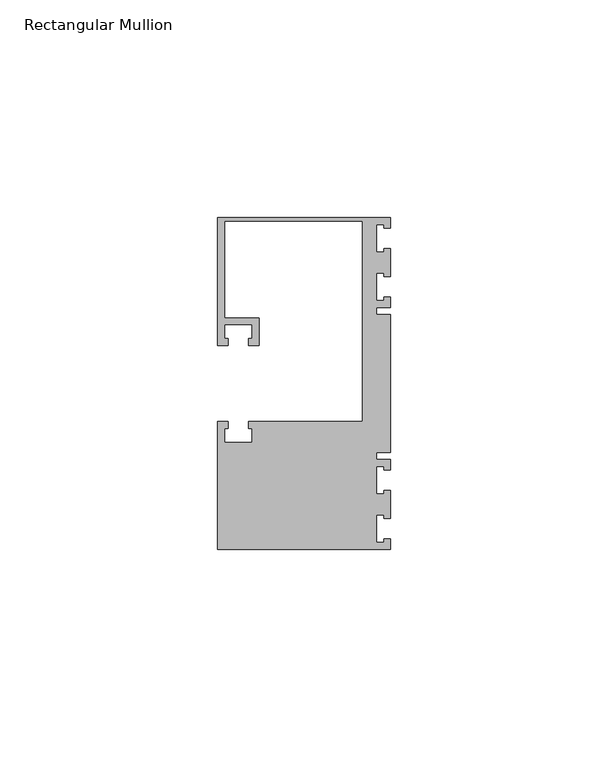
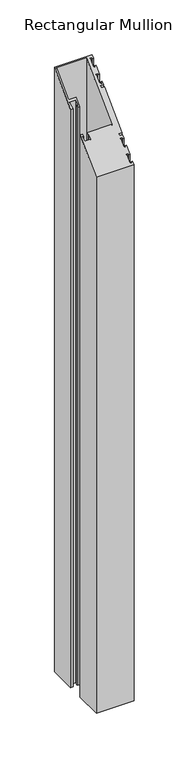
"""IFC4 building model written with IfcOpenShell, lengths in millimetres: member geometry, Rectangular Mullion."""

import ifcopenshell
import ifcopenshell.guid

model = None  # the IFC model being written
_history = None  # IfcOwnerHistory: only IFC2X3 demands one
_inside = {}  # id of a spatial element -> (the spatial element, [elements in it])
_under = {}  # id of a project, library or spatial element -> (it, [spatial elements below it])
_declared = {}  # id of a project -> (the project, [libraries it declares])
_typed = {}  # id of a type object -> (the type object, [elements of that type])
_made_of = {}  # id of a material, layer set ... -> (it, [elements and type objects made of it])


def new_model(schema):
    """Start an empty IFC model of exactly this schema.

    Asked for "IFC4X3", IfcOpenShell would pick the latest addendum, in which some entities
    have other attributes; the version numbers below select the first issue.
    IFC2X3 requires an IfcOwnerHistory on every rooted entity: one is made here for all.
    """
    global model, _history
    if schema == "IFC4X3":
        model = ifcopenshell.file(schema_version=(4, 3, 0, 0))
    else:
        model = ifcopenshell.file(schema=schema)
    _inside.clear()
    _under.clear()
    _declared.clear()
    _typed.clear()
    _made_of.clear()
    _history = None
    if model.schema == "IFC2X3":
        org = make("IfcOrganization", Name="unknown")
        user = make(
            "IfcPersonAndOrganization",
            ThePerson=make("IfcPerson", FamilyName="unknown"),
            TheOrganization=org,
        )
        app = make(
            "IfcApplication",
            ApplicationDeveloper=org,
            Version="unknown",
            ApplicationFullName="unknown",
            ApplicationIdentifier="unknown",
        )
        _history = make(
            "IfcOwnerHistory",
            OwningUser=user,
            OwningApplication=app,
            ChangeAction="ADDED",
            CreationDate=0,
        )
    return model


def make(cls, **values):
    """One entity of the class cls with the attributes given. An attribute that is None is left unset."""
    return model.create_entity(
        cls, **{name: value for name, value in values.items() if value is not None}
    )


def rooted(cls, **values):
    """An entity with a GlobalId (a new one), such as an element, a storey or a relation."""
    return make(cls, GlobalId=ifcopenshell.guid.new(), OwnerHistory=_history, **values)


def si_unit(unit_type, name, prefix=None):
    """IfcSIUnit, for example si_unit("LENGTHUNIT", "METRE", prefix="MILLI")."""
    return make("IfcSIUnit", UnitType=unit_type, Prefix=prefix, Name=name)


def assignment(units):
    """IfcUnitAssignment: the units of a project."""
    return None if units is None else make("IfcUnitAssignment", Units=units)


def point(xyz):
    """IfcCartesianPoint."""
    return None if xyz is None else make("IfcCartesianPoint", Coordinates=xyz)


def direction(xyz):
    """IfcDirection."""
    return None if xyz is None else make("IfcDirection", DirectionRatios=xyz)


def frame(location, z_axis=None, x_axis=None):
    """IfcAxis2Placement3D, a coordinate frame: its origin and axes. An axis left out is left unset."""
    return make(
        "IfcAxis2Placement3D",
        Location=point(location),
        Axis=direction(z_axis),
        RefDirection=direction(x_axis),
    )


def origin():
    """The frame at (0, 0, 0) with its axes left unset."""
    return frame((0.0, 0.0, 0.0))


def place(relative_to, where):
    """IfcLocalPlacement: puts the frame where relative to a parent placement (None: the world)."""
    return make(
        "IfcLocalPlacement", PlacementRelTo=relative_to, RelativePlacement=where
    )


def context(
    kind, dimensions, precision=None, world=None, true_north=None, identifier=None
):
    """IfcGeometricRepresentationContext, for example the 3D "Model" context."""
    return make(
        "IfcGeometricRepresentationContext",
        ContextIdentifier=identifier,
        ContextType=kind,
        CoordinateSpaceDimension=dimensions,
        Precision=precision,
        WorldCoordinateSystem=world,
        TrueNorth=true_north,
    )


def project(units=None, contexts=None):
    """IfcProject with its units and contexts."""
    return rooted(
        "IfcProject",
        Name="project",
        RepresentationContexts=contexts,
        UnitsInContext=assignment(units),
    )


def spatial(cls, under=None, at=None, **own):
    """A site, building, storey or space (cls), placed at a placement, below another one or the project."""
    s = rooted(cls, ObjectPlacement=at, **own)
    if under is not None:
        _under.setdefault(under.id(), (under, []))[1].append(s)
    return s


def faces_of(points, faces, orient=None, outer=None):
    """IfcFace entities. A face is a list of loops; a loop is a list of indices into points, from 0.

    orient and outer hold one flag for each loop. By default every Orientation is true, the
    first loop of a face is its IfcFaceOuterBound and the others are IfcFaceBound.
    """
    made = []
    for i, loops in enumerate(faces):
        bounds = []
        for j, loop in enumerate(loops):
            is_outer = j == 0 if outer is None else outer[i][j]
            bounds.append(
                make(
                    "IfcFaceOuterBound" if is_outer else "IfcFaceBound",
                    Bound=make("IfcPolyLoop", Polygon=[points[k] for k in loop]),
                    Orientation=True if orient is None else orient[i][j],
                )
            )
        made.append(make("IfcFace", Bounds=bounds))
    return made


def faceted_brep(points, faces, orient=None, outer=None, voids=None):
    """IfcFacetedBrep: a solid bounded by flat faces; with voids (closed shells), ...WithVoids."""
    shared = [point(p) for p in points]
    hull = make("IfcClosedShell", CfsFaces=faces_of(shared, faces, orient, outer))
    if voids is None:
        return make("IfcFacetedBrep", Outer=hull)
    return make(
        "IfcFacetedBrepWithVoids",
        Outer=hull,
        Voids=[
            make(cls, CfsFaces=faces_of(shared, fs, o, b)) for cls, fs, o, b in voids
        ],
    )


def shape(context_of_items, identifier, shape_type, items):
    """IfcShapeRepresentation: the items that make up one representation, for example the "Body"."""
    return make(
        "IfcShapeRepresentation",
        ContextOfItems=context_of_items,
        RepresentationIdentifier=identifier,
        RepresentationType=shape_type,
        Items=items,
    )


def source(mapping_origin, context_of_items, identifier, shape_type, items):
    """IfcRepresentationMap: a shape defined once, which mapped items show again and again."""
    return make(
        "IfcRepresentationMap",
        MappingOrigin=mapping_origin,
        MappedRepresentation=shape(context_of_items, identifier, shape_type, items),
    )


def transform(
    local_origin,
    x_axis=None,
    y_axis=None,
    z_axis=None,
    scale=None,
    scale2=None,
    scale3=None,
    uniform=True,
):
    """IfcCartesianTransformationOperator3D, or its non-uniform kind. x_axis, y_axis, z_axis: its Axis1, 2, 3."""
    if uniform:
        return make(
            "IfcCartesianTransformationOperator3D",
            Axis1=direction(x_axis),
            Axis2=direction(y_axis),
            LocalOrigin=point(local_origin),
            Scale=scale,
            Axis3=direction(z_axis),
        )
    return make(
        "IfcCartesianTransformationOperator3DnonUniform",
        Axis1=direction(x_axis),
        Axis2=direction(y_axis),
        LocalOrigin=point(local_origin),
        Scale=scale,
        Axis3=direction(z_axis),
        Scale2=scale2,
        Scale3=scale3,
    )


def mapped(mapping_source, mapping_target):
    """IfcMappedItem: shows the shape of a source again, moved by a transform."""
    return make(
        "IfcMappedItem", MappingSource=mapping_source, MappingTarget=mapping_target
    )


def made_of(thing, what):
    """Note that an element or type object is made of a material, layer set ...; save() writes the relation."""
    if what is not None:
        _made_of.setdefault(what.id(), (what, []))[1].append(thing)
    return thing


def element(
    cls,
    number,
    at=None,
    inside=None,
    cuts=None,
    type_object=None,
    material=None,
    context=None,
    identifier="Body",
    shape_type=None,
    held_by="IfcProductDefinitionShape",
    body=None,
    shapes=None,
    **own,
):
    """One element of the class cls, such as IfcWall. Its Tag is "e" and its number.

    at: its placement. inside: the storey or other place that contains it. cuts: it is an
    opening in that element (IfcRelVoidsElement). A single representation is given by context,
    identifier, shape_type and body (its items); several are given by shapes. held_by: the class
    of the entity that holds the representations. save() writes the other relations.
    """
    e = rooted(cls, Tag="e%d" % number, ObjectPlacement=at, **own)
    if body is not None:
        shapes = [shape(context, identifier, shape_type, body)]
    if shapes is not None:
        e.Representation = make(held_by, Representations=shapes)
    if inside is not None:
        _inside.setdefault(inside.id(), (inside, []))[1].append(e)
    if cuts is not None:
        rooted(
            "IfcRelVoidsElement", RelatingBuildingElement=cuts, RelatedOpeningElement=e
        )
    if type_object is not None:
        _typed.setdefault(type_object.id(), (type_object, []))[1].append(e)
    return made_of(e, material)


def aggregate(whole, parts):
    """IfcRelAggregates: a whole, such as a stair, and the parts it consists of."""
    return rooted("IfcRelAggregates", RelatingObject=whole, RelatedObjects=parts)


def save(model, path):
    """Write the relations noted so far, then the file.

    IfcRelAggregates (storeys below a building ...), IfcRelContainedInSpatialStructure (elements
    in a storey), IfcRelDefinesByType, IfcRelAssociatesMaterial and IfcRelDeclares: one each for
    every whole, place, type object, material and project.
    """
    for whole, parts in _under.values():
        aggregate(whole, parts)
    for where, things in _inside.values():
        rooted(
            "IfcRelContainedInSpatialStructure",
            RelatedElements=things,
            RelatingStructure=where,
        )
    for kind, things in _typed.values():
        rooted("IfcRelDefinesByType", RelatedObjects=things, RelatingType=kind)
    for what, things in _made_of.values():
        rooted("IfcRelAssociatesMaterial", RelatedObjects=things, RelatingMaterial=what)
    for by, libraries in _declared.values():
        rooted("IfcRelDeclares", RelatingContext=by, RelatedDefinitions=libraries)
    model.write(path)


def rectangular_mullion_bbe6fc3d(model_context):
    return source(origin(), model_context, "Body", "Brep", [
        faceted_brep([(0.0, 38.1, -635.0), (0.0, 35.71875, -635.0), (-1.4999946, 35.71875, -635.0), (-1.4999946, 36.5125, -635.0), (-3.175, 36.5125, -635.0), (-3.175, 30.1625, -635.0), (-1.4999946, 30.1625, -635.0), (-1.4999946, 30.95625, -635.0), (0.0, 30.95625, -635.0), (0.0, 24.60625, -635.0), (-1.4999946, 24.60625, -635.0), (-1.4999946, 25.4, -635.0), (-3.175, 25.4, -635.0), (-3.175, 19.05, -635.0), (-1.4999946, 19.05, -635.0), (-1.4999946, 19.84375, -635.0), (0.0, 19.84375, -635.0), (0.0, 17.4625, -635.0), (-3.175, 17.4625, -635.0), (-3.175, 15.875, -635.0), (0.0, 15.875, -635.0), (0.0, -15.875, -635.0), (-3.175, -15.875, -635.0), (-3.175, -17.4625, -635.0), (0.0, -17.4625, -635.0), (0.0, -19.84375, -635.0), (-1.4999946, -19.84375, -635.0), (-1.4999946, -19.05, -635.0), (-3.175, -19.05, -635.0), (-3.175, -25.4, -635.0), (-1.4999946, -25.4, -635.0), (-1.4999946, -24.60625, -635.0), (0.0, -24.60625, -635.0), (0.0, -30.95625, -635.0), (-1.4999946, -30.95625, -635.0), (-1.4999946, -30.1625, -635.0), (-3.175, -30.1625, -635.0), (-3.175, -36.5125, -635.0), (-1.4999946, -36.5125, -635.0), (-1.4999946, -35.71875, -635.0), (0.0, -35.71875, -635.0), (0.0, -38.1, -635.0), (-39.6875, -38.1, -635.0), (-39.6875, -8.73125, -635.0), (-37.30625, -8.73125, -635.0), (-37.30625, -10.31875, -635.0), (-38.1, -10.31875, -635.0), (-38.1, -13.49375, -635.0), (-31.75, -13.49375, -635.0), (-31.75, -10.31875, -635.0), (-32.54375, -10.31875, -635.0), (-32.54375, -8.73125, -635.0), (-6.35, -8.73125, -635.0), (-6.35, 37.30625, -635.0), (-38.1, 37.30625, -635.0), (-38.1, 15.08125, -635.0), (-30.1625, 15.08125, -635.0), (-30.1625, 8.73125, -635.0), (-32.54375, 8.73125, -635.0), (-32.54375, 10.31875, -635.0), (-31.75, 10.31875, -635.0), (-31.75, 13.49375, -635.0), (-38.1, 13.49375, -635.0), (-38.1, 10.31875, -635.0), (-37.30625, 10.31875, -635.0), (-37.30625, 8.73125, -635.0), (-39.6875, 8.73125, -635.0), (-39.6875, 38.1, -635.0), (-39.6875, 38.1, 38.1), (0.0, 38.1, 38.1), (-39.6875, 8.73125, 8.73125), (-37.30625, 8.73125, 8.73125), (-37.30625, 10.31875, 10.31875), (-38.1, 10.31875, 10.31875), (-38.1, 13.49375, 13.49375), (-31.75, 13.49375, 13.49375), (-31.75, 10.31875, 10.31875), (-32.54375, 10.31875, 10.31875), (-32.54375, 8.73125, 8.73125), (-30.1625, 8.73125, 8.73125), (-30.1625, 15.08125, 15.08125), (-38.1, 15.08125, 15.08125), (-38.1, 37.30625, 37.30625), (-6.35, 37.30625, 37.30625), (-6.35, -8.73125, -8.73125), (-32.54375, -8.73125, -8.73125), (-32.54375, -10.31875, -10.31875), (-31.75, -10.31875, -10.31875), (-31.75, -13.49375, -13.49375), (-38.1, -13.49375, -13.49375), (-38.1, -10.31875, -10.31875), (-37.30625, -10.31875, -10.31875), (-37.30625, -8.73125, -8.73125), (-39.6875, -8.73125, -8.73125), (-39.6875, -38.1, -38.1), (0.0, -38.1, -38.1), (0.0, -35.71875, -35.71875), (-1.4999946, -35.71875, -35.71875), (-1.4999946, -36.5125, -36.5125), (-3.175, -36.5125, -36.5125), (-3.175, -30.1625, -30.1625), (-1.4999946, -30.1625, -30.1625), (-1.4999946, -30.95625, -30.95625), (0.0, -30.95625, -30.95625), (0.0, -24.60625, -24.60625), (-1.4999946, -24.60625, -24.60625), (-1.4999946, -25.4, -25.4), (-3.175, -25.4, -25.4), (-3.175, -19.05, -19.05), (-1.4999946, -19.05, -19.05), (-1.4999946, -19.84375, -19.84375), (0.0, -19.84375, -19.84375), (0.0, -17.4625, -17.4625), (-3.175, -17.4625, -17.4625), (-3.175, -15.875, -15.875), (0.0, -15.875, -15.875), (0.0, 15.875, 15.875), (-3.175, 15.875, 15.875), (-3.175, 17.4625, 17.4625), (0.0, 17.4625, 17.4625), (0.0, 19.84375, 19.84375), (-1.4999946, 19.84375, 19.84375), (-1.4999946, 19.05, 19.05), (-3.175, 19.05, 19.05), (-3.175, 25.4, 25.4), (-1.4999946, 25.4, 25.4), (-1.4999946, 24.60625, 24.60625), (0.0, 24.60625, 24.60625), (0.0, 30.95625, 30.95625), (-1.4999946, 30.95625, 30.95625), (-1.4999946, 30.1625, 30.1625), (-3.175, 30.1625, 30.1625), (-3.175, 36.5125, 36.5125), (-1.4999946, 36.5125, 36.5125), (-1.4999946, 35.71875, 35.71875), (0.0, 35.71875, 35.71875)], [[[0, 1, 2, 3, 4, 5, 6, 7, 8, 9, 10, 11, 12, 13, 14, 15, 16, 17, 18, 19, 20, 21, 22, 23, 24, 25, 26, 27, 28, 29, 30, 31, 32, 33, 34, 35, 36, 37, 38, 39, 40, 41, 42, 43, 44, 45, 46, 47, 48, 49, 50, 51, 52, 53, 54, 55, 56, 57, 58, 59, 60, 61, 62, 63, 64, 65, 66, 67]], [[68, 69, 0, 67]], [[70, 68, 67, 66]], [[71, 70, 66, 65]], [[72, 71, 65, 64]], [[73, 72, 64, 63]], [[74, 73, 63, 62]], [[75, 74, 62, 61]], [[76, 75, 61, 60]], [[77, 76, 60, 59]], [[78, 77, 59, 58]], [[79, 78, 58, 57]], [[80, 79, 57, 56]], [[81, 80, 56, 55]], [[82, 81, 55, 54]], [[83, 82, 54, 53]], [[84, 83, 53, 52]], [[85, 84, 52, 51]], [[86, 85, 51, 50]], [[87, 86, 50, 49]], [[88, 87, 49, 48]], [[89, 88, 48, 47]], [[90, 89, 47, 46]], [[91, 90, 46, 45]], [[92, 91, 45, 44]], [[93, 92, 44, 43]], [[94, 93, 43, 42]], [[95, 94, 42, 41]], [[96, 95, 41, 40]], [[97, 96, 40, 39]], [[98, 97, 39, 38]], [[99, 98, 38, 37]], [[100, 99, 37, 36]], [[101, 100, 36, 35]], [[102, 101, 35, 34]], [[103, 102, 34, 33]], [[104, 103, 33, 32]], [[105, 104, 32, 31]], [[106, 105, 31, 30]], [[107, 106, 30, 29]], [[108, 107, 29, 28]], [[109, 108, 28, 27]], [[110, 109, 27, 26]], [[111, 110, 26, 25]], [[112, 111, 25, 24]], [[113, 112, 24, 23]], [[114, 113, 23, 22]], [[115, 114, 22, 21]], [[116, 115, 21, 20]], [[117, 116, 20, 19]], [[118, 117, 19, 18]], [[119, 118, 18, 17]], [[120, 119, 17, 16]], [[121, 120, 16, 15]], [[122, 121, 15, 14]], [[123, 122, 14, 13]], [[124, 123, 13, 12]], [[125, 124, 12, 11]], [[126, 125, 11, 10]], [[127, 126, 10, 9]], [[128, 127, 9, 8]], [[129, 128, 8, 7]], [[130, 129, 7, 6]], [[131, 130, 6, 5]], [[132, 131, 5, 4]], [[133, 132, 4, 3]], [[134, 133, 3, 2]], [[135, 134, 2, 1]], [[69, 135, 1, 0]], [[69, 68, 70, 71, 72, 73, 74, 75, 76, 77, 78, 79, 80, 81, 82, 83, 84, 85, 86, 87, 88, 89, 90, 91, 92, 93, 94, 95, 96, 97, 98, 99, 100, 101, 102, 103, 104, 105, 106, 107, 108, 109, 110, 111, 112, 113, 114, 115, 116, 117, 118, 119, 120, 121, 122, 123, 124, 125, 126, 127, 128, 129, 130, 131, 132, 133, 134, 135]]]),
    ])


if __name__ == "__main__":
    model = new_model("IFC4")
    model_context = context("Model", 3, world=origin())
    ifc_project = project(units=[si_unit("LENGTHUNIT", "METRE", prefix="MILLI")], contexts=[model_context])
    site = spatial("IfcSite", under=ifc_project)
    building = spatial("IfcBuilding", under=site)
    placement = place(None, origin())
    rectangular_mullion_shape = rectangular_mullion_bbe6fc3d(model_context)
    element("IfcMember", 1, ObjectType="Rectangular Mullion", at=placement, inside=building, context=model_context, shape_type="MappedRepresentation", body=[
        mapped(rectangular_mullion_shape, transform((0.0, 0.0, 0.0), x_axis=(1.0, 0.0, 0.0), y_axis=(0.0, 1.0, 0.0), z_axis=(0.0, 0.0, 1.0))),
    ])
    save(model, "model.ifc")
